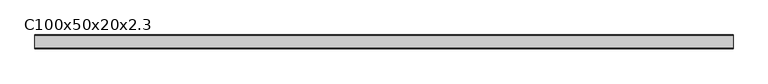
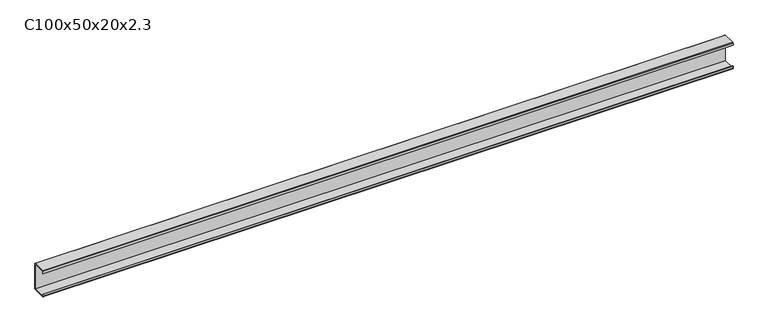
"""IFC4 building model written with IfcOpenShell, lengths in millimetres: proxy geometry, C100x50x20x2.3."""

from ifc_helpers import new_model, si_unit, point, frame, frame_2d, origin, place, context, project, spatial, polyline, circle_curve, trimmed, segment, composite_curve, outline, extrude, source, transform, mapped, element, save


def c100x50x20x2_3_4a977c4c(model_context):
    return source(origin(), model_context, "Body", "SweptSolid", [
        extrude(outline(composite_curve([segment(polyline([(-25.0, 90.0), (-25.0, 97.7)]), True, "CONTINUOUS"), segment(trimmed(circle_curve(frame_2d((-22.7, 97.7)), 2.3), [point((-25.0, 97.7))], [point((-22.7, 100.0))], False, "CARTESIAN"), True, "CONTINUOUS"), segment(polyline([(-22.7, 100.0), (22.7, 100.0)]), True, "CONTINUOUS"), segment(trimmed(circle_curve(frame_2d((22.7, 97.7)), 2.3), [point((22.7, 100.0))], [point((25.0, 97.7))], False, "CARTESIAN"), True, "CONTINUOUS"), segment(polyline([(25.0, 97.7), (25.0, 2.3)]), True, "CONTINUOUS"), segment(trimmed(circle_curve(frame_2d((22.7, 2.3)), 2.3), [point((25.0, 2.3))], [point((22.7, 0.0))], False, "CARTESIAN"), True, "CONTINUOUS"), segment(polyline([(22.7, 0.0), (-22.7, 0.0)]), True, "CONTINUOUS"), segment(trimmed(circle_curve(frame_2d((-22.7, 2.3)), 2.3), [point((-22.7, 0.0))], [point((-25.0, 2.3))], False, "CARTESIAN"), True, "CONTINUOUS"), segment(polyline([(-25.0, 2.3), (-25.0, 10.0), (-22.7, 10.0), (-22.7, 2.3), (22.7, 2.3), (22.7, 97.7), (-22.7, 97.7), (-22.7, 90.0), (-25.0, 90.0)]), True, "CONTINUOUS")], self_intersect=False)), frame((0.0, 0.0, 0.0), z_axis=(1.0, 0.0, 0.0), x_axis=(0.0, 1.0, 0.0)), (0.0, 0.0, 1.0), 2500.0),
    ])


if __name__ == "__main__":
    model = new_model("IFC4")
    model_context = context("Model", 3, world=origin())
    ifc_project = project(units=[si_unit("LENGTHUNIT", "METRE", prefix="MILLI")], contexts=[model_context])
    site = spatial("IfcSite", under=ifc_project)
    building = spatial("IfcBuilding", under=site)
    placement = place(None, origin())
    c100x50x20x2_3_shape = c100x50x20x2_3_4a977c4c(model_context)
    element("IfcBuildingElementProxy", 1, Name="C100x50x20x2.3", ObjectType="C100x50x20x2.3", at=placement, inside=building, context=model_context, shape_type="MappedRepresentation", body=[
        mapped(c100x50x20x2_3_shape, transform((0.0, 0.0, 0.0), x_axis=(1.0, 0.0, 0.0), y_axis=(0.0, 1.0, 0.0), z_axis=(0.0, 0.0, 1.0))),
    ])
    save(model, "model.ifc")
